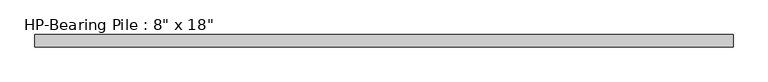
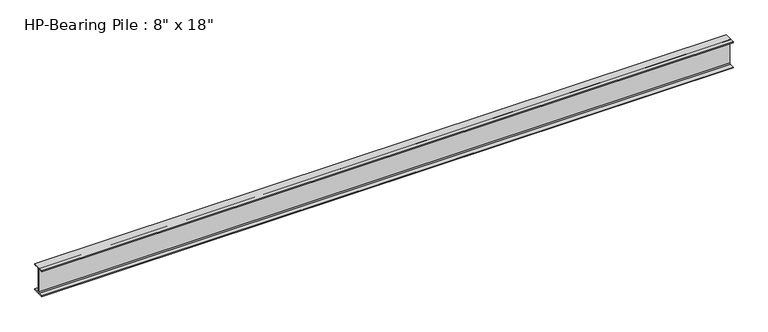
"""IFC4 building model written with IfcOpenShell, lengths in millimetres: beam geometry."""

from ifc_helpers import new_model, si_unit, point, frame, frame_2d, origin, place, context, project, spatial, polyline, circle_curve, trimmed, segment, composite_curve, outline, extrude, source, transform, mapped, element, save


def beam_aa7414d4(model_context):
    return source(origin(), model_context, "Body", "SweptSolid", [
        extrude(outline(composite_curve([segment(polyline([(101.6, -215.503125), (101.6, -228.6), (-101.6, -228.6), (-101.6, -215.503125), (-25.2015625, -215.503125)]), True, "CONTINUOUS"), segment(trimmed(circle_curve(frame_2d((-25.2015625, -196.85)), 18.653125), [point((-25.2015625, -215.503125))], [point((-6.5484375, -196.85))], True, "CARTESIAN"), True, "CONTINUOUS"), segment(polyline([(-6.5484375, -196.85), (-6.5484375, 196.85)]), True, "CONTINUOUS"), segment(trimmed(circle_curve(frame_2d((-25.2015625, 196.85)), 18.653125), [point((-6.5484375, 196.85))], [point((-25.2015625, 215.503125))], True, "CARTESIAN"), True, "CONTINUOUS"), segment(polyline([(-25.2015625, 215.503125), (-101.6, 215.503125), (-101.6, 228.6), (101.6, 228.6), (101.6, 215.503125), (25.2015625, 215.503125)]), True, "CONTINUOUS"), segment(trimmed(circle_curve(frame_2d((25.2015625, 196.85)), 18.653125), [point((25.2015625, 215.503125))], [point((6.5484375, 196.85))], True, "CARTESIAN"), True, "CONTINUOUS"), segment(polyline([(6.5484375, 196.85), (6.5484375, -196.85)]), True, "CONTINUOUS"), segment(trimmed(circle_curve(frame_2d((25.2015625, -196.85)), 18.653125), [point((6.5484375, -196.85))], [point((25.2015625, -215.503125))], True, "CARTESIAN"), True, "CONTINUOUS"), segment(polyline([(25.2015625, -215.503125), (101.6, -215.503125)]), True, "CONTINUOUS")], self_intersect=False)), frame((-5762.2317084, 0.0, 0.0), z_axis=(1.0, 0.0, 0.0), x_axis=(0.0, 1.0, 0.0)), (0.0, 0.0, 1.0), 11524.4634168),
    ])


if __name__ == "__main__":
    model = new_model("IFC4")
    model_context = context("Model", 3, world=origin())
    ifc_project = project(units=[si_unit("LENGTHUNIT", "METRE", prefix="MILLI")], contexts=[model_context])
    site = spatial("IfcSite", under=ifc_project)
    building = spatial("IfcBuilding", under=site)
    placement = place(None, origin())
    beam_shape = beam_aa7414d4(model_context)
    element("IfcBeam", 1, ObjectType="HP-Bearing Pile : 8\" x 18\"", at=placement, inside=building, context=model_context, shape_type="MappedRepresentation", body=[
        mapped(beam_shape, transform((0.0, 0.0, 0.0), x_axis=(1.0, 0.0, 0.0), y_axis=(0.0, 1.0, 0.0), z_axis=(0.0, 0.0, 1.0))),
    ])
    save(model, "model.ifc")
